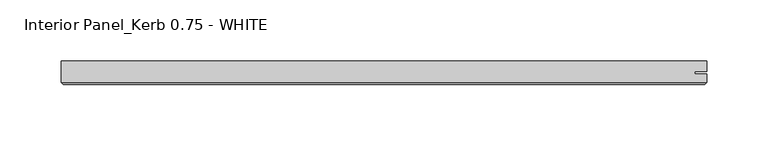
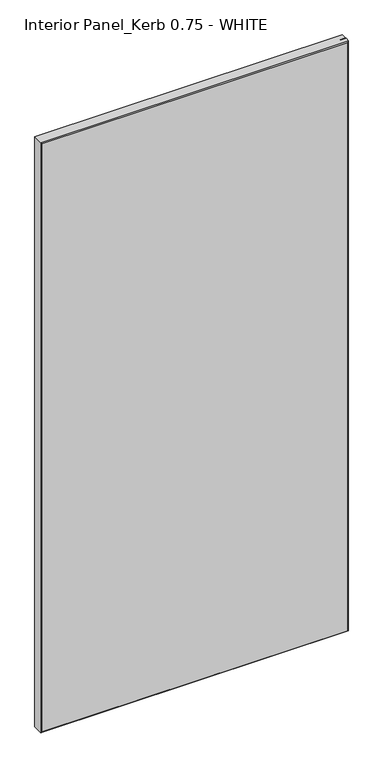
"""IFC4 building model written with IfcOpenShell, lengths in millimetres: proxy geometry, Interior Panel_Kerb 0.75 - WHITE."""

from ifc_helpers import new_model, si_unit, origin, place, context, project, spatial, faceted_brep, source, transform, mapped, element, save


def interior_panel_kerb_0_75_white_28fc5dc9(model_context):
    return source(origin(), model_context, "Body", "Brep", [
        faceted_brep([(452.4375, 3.175, 1063.625), (-73.025, 3.175, 1063.625), (-73.025, -14.2875, 1063.625), (452.4375, -14.2875, 1063.625), (452.4375, -7.4168, 1063.625), (442.6148437, -7.4168, 1063.625), (442.6148437, -5.2832, 1063.625), (452.4375, -5.2832, 1063.625), (452.4375, 3.175, 0.0), (452.4375, -5.2832, 0.0), (442.6148437, -5.2832, 0.0), (442.6148437, -7.4168, 0.0), (452.4375, -7.4168, 0.0), (452.4375, -14.2875, 0.0), (-73.025, -14.2875, 0.0), (-73.025, 3.175, 0.0), (-71.4375, -15.875, 1062.0375), (-71.4375, -15.875, 1.5875), (450.85, -15.875, 1.5875), (450.85, -15.875, 1062.0375)], [[[0, 1, 2, 3, 4, 5, 6, 7]], [[8, 9, 10, 11, 12, 13, 14, 15]], [[1, 0, 8, 15]], [[2, 1, 15, 14]], [[16, 17, 18, 19]], [[4, 3, 13, 12]], [[2, 14, 17, 16]], [[13, 3, 19, 18]], [[3, 2, 16, 19]], [[14, 13, 18, 17]], [[5, 4, 12, 11]], [[6, 5, 11, 10]], [[7, 6, 10, 9]], [[0, 7, 9, 8]]]),
    ])


if __name__ == "__main__":
    model = new_model("IFC4")
    model_context = context("Model", 3, world=origin())
    ifc_project = project(units=[si_unit("LENGTHUNIT", "METRE", prefix="MILLI")], contexts=[model_context])
    site = spatial("IfcSite", under=ifc_project)
    building = spatial("IfcBuilding", under=site)
    placement = place(None, origin())
    interior_panel_kerb_0_75_white_shape = interior_panel_kerb_0_75_white_28fc5dc9(model_context)
    element("IfcBuildingElementProxy", 1, Name="Interior Panel_Kerb 0.75 - WHITE", ObjectType="Interior Panel_Kerb 0.75 - WHITE", at=placement, inside=building, context=model_context, shape_type="MappedRepresentation", body=[
        mapped(interior_panel_kerb_0_75_white_shape, transform((0.0, 0.0, 0.0), x_axis=(1.0, 0.0, 0.0), y_axis=(0.0, 1.0, 0.0), z_axis=(0.0, 0.0, 1.0))),
    ])
    save(model, "model.ifc")
